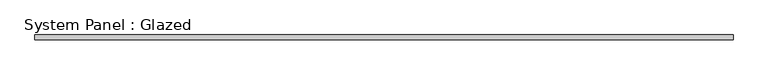
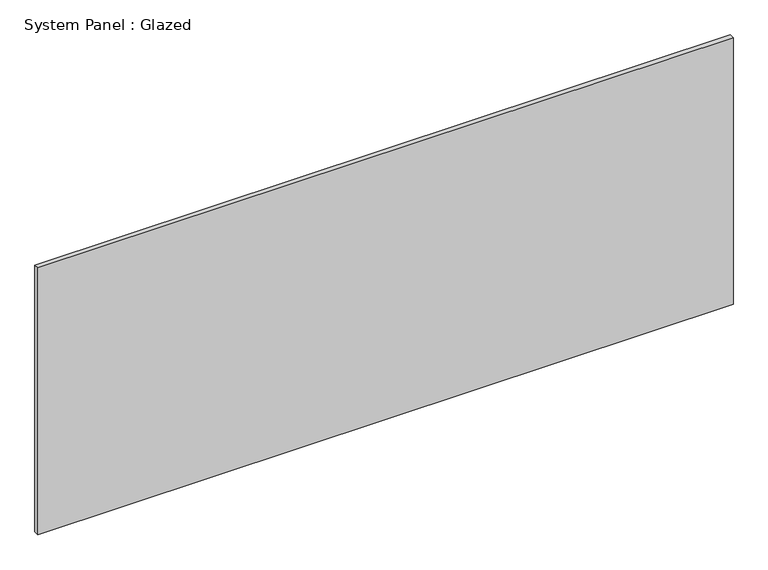
"""IFC4 building model written with IfcOpenShell, lengths in millimetres: plate geometry, System Panel : Glazed."""

from ifc_helpers import new_model, si_unit, origin, origin_with_axes, place, context, project, spatial, polyline, outline, extrude, source, transform, mapped, element, save


def system_panel_glazed_9e6b8984(model_context):
    return source(origin(), model_context, "Body", "SweptSolid", [
        extrude(outline(polyline([(1800.6631044, 19.05), (-1800.6631044, 19.05), (-1800.6631044, 44.45), (1800.6631044, 44.45), (1800.6631044, 19.05)])), origin_with_axes(), (0.0, 0.0, 1.0), 1460.5),
    ])


if __name__ == "__main__":
    model = new_model("IFC4")
    model_context = context("Model", 3, world=origin())
    ifc_project = project(units=[si_unit("LENGTHUNIT", "METRE", prefix="MILLI")], contexts=[model_context])
    site = spatial("IfcSite", under=ifc_project)
    building = spatial("IfcBuilding", under=site)
    placement = place(None, origin())
    system_panel_glazed_shape = system_panel_glazed_9e6b8984(model_context)
    element("IfcPlate", 1, ObjectType="System Panel : Glazed", at=placement, inside=building, context=model_context, shape_type="MappedRepresentation", body=[
        mapped(system_panel_glazed_shape, transform((0.0, 0.0, 0.0), x_axis=(1.0, 0.0, 0.0), y_axis=(0.0, 1.0, 0.0), z_axis=(0.0, 0.0, 1.0))),
    ])
    save(model, "model.ifc")
